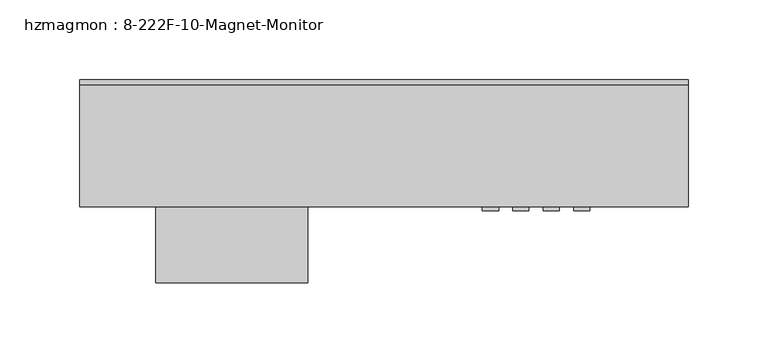
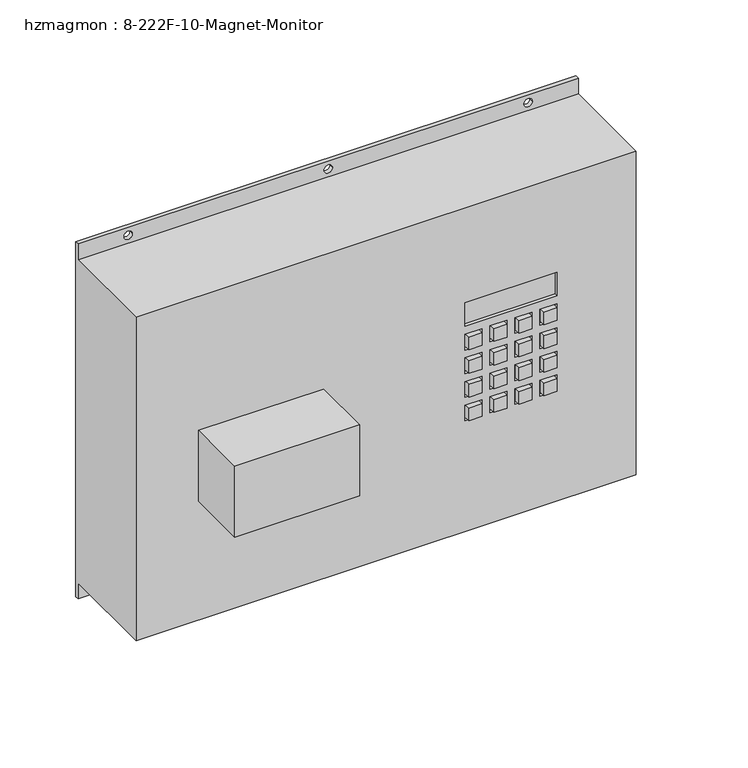
"""IFC4 building model written with IfcOpenShell, lengths in millimetres: proxy geometry, hzmagmon : 8-222F-10-Magnet-Monitor."""

from ifc_helpers import new_model, si_unit, frame, origin, place, context, project, spatial, polyline, circle_curve, outline, extrude, source, transform, mapped, element, save
from ifc_brep_helpers import plane_surface, revolved_surface, advanced_brep


def hzmagmon_8_222f_10_magnet_monitor_ca582a6c(model_context):
    return source(origin(), model_context, "Body", "SolidModel", [
        advanced_brep(
        [(190.5, 0.0, 1682.75), (190.5, -3.175, 1682.75), (190.5, -3.175, 1670.05), (190.5, -79.375, 1670.05), (190.5, -79.375, 1409.7), (190.5, -3.175, 1409.7), (190.5, -3.175, 1397.0), (190.5, 0.0, 1397.0), (-190.5, 0.0, 1682.75), (-190.5, 0.0, 1397.0), (-190.5, -3.175, 1397.0), (-190.5, -3.175, 1409.7), (-190.5, -79.375, 1409.7), (-190.5, -79.375, 1670.05), (-190.5, -3.175, 1670.05), (-190.5, -3.175, 1682.75), (-149.225, -3.175, 1676.4), (-155.575, -3.175, 1676.4), (3.175, -3.175, 1676.4), (-3.175, -3.175, 1676.4), (149.225, -3.175, 1676.4), (155.575, -3.175, 1676.4), (149.225, -3.175, 1403.35), (155.575, -3.175, 1403.35), (3.175, -3.175, 1403.35), (-3.175, -3.175, 1403.35), (-149.225, -3.175, 1403.35), (-155.575, -3.175, 1403.35), (-155.575, 0.0, 1676.4), (-149.225, 0.0, 1676.4), (-3.175, 0.0, 1676.4), (3.175, 0.0, 1676.4), (155.575, 0.0, 1676.4), (149.225, 0.0, 1676.4), (155.575, 0.0, 1403.35), (149.225, 0.0, 1403.35), (-3.175, 0.0, 1403.35), (3.175, 0.0, 1403.35), (-155.575, 0.0, 1403.35), (-149.225, 0.0, 1403.35), (130.175, -79.375, 1574.8), (60.325, -79.375, 1574.8), (60.325, -79.375, 1593.85), (130.175, -79.375, 1593.85), (73.025, -79.375, 1568.45), (73.025, -79.375, 1555.75), (60.325, -79.375, 1555.75), (60.325, -79.375, 1568.45), (79.375, -79.375, 1555.75), (79.375, -79.375, 1568.45), (92.075, -79.375, 1568.45), (92.075, -79.375, 1555.75), (98.425, -79.375, 1555.75), (98.425, -79.375, 1568.45), (111.125, -79.375, 1568.45), (111.125, -79.375, 1555.75), (117.475, -79.375, 1555.75), (117.475, -79.375, 1568.45), (130.175, -79.375, 1568.45), (130.175, -79.375, 1555.75), (117.475, -79.375, 1536.7), (117.475, -79.375, 1549.4), (130.175, -79.375, 1549.4), (130.175, -79.375, 1536.7), (111.125, -79.375, 1549.4), (111.125, -79.375, 1536.7), (98.425, -79.375, 1536.7), (98.425, -79.375, 1549.4), (92.075, -79.375, 1549.4), (92.075, -79.375, 1536.7), (79.375, -79.375, 1536.7), (79.375, -79.375, 1549.4), (73.025, -79.375, 1549.4), (73.025, -79.375, 1536.7), (60.325, -79.375, 1536.7), (60.325, -79.375, 1549.4), (73.025, -79.375, 1530.35), (73.025, -79.375, 1517.65), (60.325, -79.375, 1517.65), (60.325, -79.375, 1530.35), (73.025, -79.375, 1511.3), (73.025, -79.375, 1498.6), (60.325, -79.375, 1498.6), (60.325, -79.375, 1511.3), (79.375, -79.375, 1498.6), (79.375, -79.375, 1511.3), (92.075, -79.375, 1511.3), (92.075, -79.375, 1498.6), (98.425, -79.375, 1498.6), (98.425, -79.375, 1511.3), (111.125, -79.375, 1511.3), (111.125, -79.375, 1498.6), (92.075, -79.375, 1530.35), (92.075, -79.375, 1517.65), (79.375, -79.375, 1517.65), (79.375, -79.375, 1530.35), (98.425, -79.375, 1517.65), (98.425, -79.375, 1530.35), (111.125, -79.375, 1530.35), (111.125, -79.375, 1517.65), (117.475, -79.375, 1517.65), (117.475, -79.375, 1530.35), (130.175, -79.375, 1530.35), (130.175, -79.375, 1517.65), (117.475, -79.375, 1511.3), (130.175, -79.375, 1511.3), (130.175, -79.375, 1498.6), (117.475, -79.375, 1498.6), (-142.875, -79.375, 1562.1), (-47.625, -79.375, 1562.1), (-47.625, -79.375, 1504.95), (-142.875, -79.375, 1504.95), (60.325, -76.5525764, 1574.8), (130.175, -76.5525764, 1574.8), (130.175, -76.5525764, 1593.85), (60.325, -76.5525764, 1593.85), (73.025, -76.5525764, 1555.75), (73.025, -76.5525764, 1568.45), (60.325, -76.5525764, 1568.45), (60.325, -76.5525764, 1555.75), (79.375, -76.5525764, 1568.45), (79.375, -76.5525764, 1555.75), (92.075, -76.5525764, 1555.75), (92.075, -76.5525764, 1568.45), (98.425, -76.5525764, 1568.45), (98.425, -76.5525764, 1555.75), (111.125, -76.5525764, 1555.75), (111.125, -76.5525764, 1568.45), (117.475, -76.5525764, 1568.45), (117.475, -76.5525764, 1555.75), (130.175, -76.5525764, 1555.75), (130.175, -76.5525764, 1568.45), (117.475, -76.5525764, 1549.4), (117.475, -76.5525764, 1536.7), (130.175, -76.5525764, 1536.7), (130.175, -76.5525764, 1549.4), (111.125, -76.5525764, 1536.7), (111.125, -76.5525764, 1549.4), (98.425, -76.5525764, 1549.4), (98.425, -76.5525764, 1536.7), (92.075, -76.5525764, 1536.7), (92.075, -76.5525764, 1549.4), (79.375, -76.5525764, 1549.4), (79.375, -76.5525764, 1536.7), (73.025, -76.5525764, 1536.7), (73.025, -76.5525764, 1549.4), (60.325, -76.5525764, 1549.4), (60.325, -76.5525764, 1536.7), (73.025, -76.5525764, 1517.65), (73.025, -76.5525764, 1530.35), (60.325, -76.5525764, 1530.35), (60.325, -76.5525764, 1517.65), (73.025, -76.5525764, 1498.6), (73.025, -76.5525764, 1511.3), (60.325, -76.5525764, 1511.3), (60.325, -76.5525764, 1498.6), (79.375, -76.5525764, 1511.3), (79.375, -76.5525764, 1498.6), (92.075, -76.5525764, 1498.6), (92.075, -76.5525764, 1511.3), (98.425, -76.5525764, 1511.3), (98.425, -76.5525764, 1498.6), (111.125, -76.5525764, 1498.6), (111.125, -76.5525764, 1511.3), (92.075, -76.5525764, 1517.65), (92.075, -76.5525764, 1530.35), (79.375, -76.5525764, 1530.35), (79.375, -76.5525764, 1517.65), (98.425, -76.5525764, 1530.35), (98.425, -76.5525764, 1517.65), (111.125, -76.5525764, 1517.65), (111.125, -76.5525764, 1530.35), (117.475, -76.5525764, 1530.35), (117.475, -76.5525764, 1517.65), (130.175, -76.5525764, 1517.65), (130.175, -76.5525764, 1530.35), (130.175, -76.5525764, 1511.3), (117.475, -76.5525764, 1511.3), (117.475, -76.5525764, 1498.6), (130.175, -76.5525764, 1498.6), (-47.625, -127.0, 1562.1), (-142.875, -127.0, 1562.1), (-142.875, -127.0, 1504.95), (-47.625, -127.0, 1504.95)],
        [
            (0, 1),
            (1, 2),
            (2, 3),
            (3, 4),
            (4, 5),
            (5, 6),
            (6, 7),
            (7, 0),
            (8, 9),
            (9, 10),
            (10, 11),
            (11, 12),
            (12, 13),
            (13, 14),
            (14, 15),
            (15, 8),
            (0, 8),
            (15, 1),
            (14, 2),
            (16, 17, circle_curve(frame((-152.4, -3.175, 1676.4), z_axis=(0.0, 1.0, 0.0), x_axis=(1.0, 0.0, 0.0)), 3.175)),
            (17, 16, circle_curve(frame((-152.4, -3.175, 1676.4), z_axis=(0.0, 1.0, 0.0), x_axis=(1.0, 0.0, 0.0)), 3.175)),
            (18, 19, circle_curve(frame((0.0, -3.175, 1676.4), z_axis=(0.0, 1.0, 0.0), x_axis=(1.0, 0.0, 0.0)), 3.175)),
            (19, 18, circle_curve(frame((0.0, -3.175, 1676.4), z_axis=(0.0, 1.0, 0.0), x_axis=(1.0, 0.0, 0.0)), 3.175)),
            (20, 21, circle_curve(frame((152.4, -3.175, 1676.4), z_axis=(0.0, 1.0, 0.0), x_axis=(-1.0, 0.0, 0.0)), 3.175)),
            (21, 20, circle_curve(frame((152.4, -3.175, 1676.4), z_axis=(0.0, 1.0, 0.0), x_axis=(-1.0, 0.0, 0.0)), 3.175)),
            (10, 6),
            (5, 11),
            (22, 23, circle_curve(frame((152.4, -3.175, 1403.35), z_axis=(0.0, 1.0, 0.0), x_axis=(-1.0, 0.0, 0.0)), 3.175)),
            (23, 22, circle_curve(frame((152.4, -3.175, 1403.35), z_axis=(0.0, 1.0, 0.0), x_axis=(-1.0, 0.0, 0.0)), 3.175)),
            (24, 25, circle_curve(frame((0.0, -3.175, 1403.35), z_axis=(0.0, 1.0, 0.0), x_axis=(1.0, 0.0, 0.0)), 3.175)),
            (25, 24, circle_curve(frame((0.0, -3.175, 1403.35), z_axis=(0.0, 1.0, 0.0), x_axis=(1.0, 0.0, 0.0)), 3.175)),
            (26, 27, circle_curve(frame((-152.4, -3.175, 1403.35), z_axis=(0.0, 1.0, 0.0), x_axis=(1.0, 0.0, 0.0)), 3.175)),
            (27, 26, circle_curve(frame((-152.4, -3.175, 1403.35), z_axis=(0.0, 1.0, 0.0), x_axis=(1.0, 0.0, 0.0)), 3.175)),
            (9, 7),
            (28, 29, circle_curve(frame((-152.4, 0.0, 1676.4), z_axis=(0.0, -1.0, 0.0), x_axis=(1.0, 0.0, 0.0)), 3.175)),
            (29, 28, circle_curve(frame((-152.4, 0.0, 1676.4), z_axis=(0.0, -1.0, 0.0), x_axis=(1.0, 0.0, 0.0)), 3.175)),
            (30, 31, circle_curve(frame((0.0, 0.0, 1676.4), z_axis=(0.0, -1.0, 0.0), x_axis=(1.0, 0.0, 0.0)), 3.175)),
            (31, 30, circle_curve(frame((0.0, 0.0, 1676.4), z_axis=(0.0, -1.0, 0.0), x_axis=(1.0, 0.0, 0.0)), 3.175)),
            (32, 33, circle_curve(frame((152.4, 0.0, 1676.4), z_axis=(0.0, -1.0, 0.0), x_axis=(-1.0, 0.0, 0.0)), 3.175)),
            (33, 32, circle_curve(frame((152.4, 0.0, 1676.4), z_axis=(0.0, -1.0, 0.0), x_axis=(-1.0, 0.0, 0.0)), 3.175)),
            (34, 35, circle_curve(frame((152.4, 0.0, 1403.35), z_axis=(0.0, -1.0, 0.0), x_axis=(-1.0, 0.0, 0.0)), 3.175)),
            (35, 34, circle_curve(frame((152.4, 0.0, 1403.35), z_axis=(0.0, -1.0, 0.0), x_axis=(-1.0, 0.0, 0.0)), 3.175)),
            (36, 37, circle_curve(frame((0.0, 0.0, 1403.35), z_axis=(0.0, -1.0, 0.0), x_axis=(1.0, 0.0, 0.0)), 3.175)),
            (37, 36, circle_curve(frame((0.0, 0.0, 1403.35), z_axis=(0.0, -1.0, 0.0), x_axis=(1.0, 0.0, 0.0)), 3.175)),
            (38, 39, circle_curve(frame((-152.4, 0.0, 1403.35), z_axis=(0.0, -1.0, 0.0), x_axis=(1.0, 0.0, 0.0)), 3.175)),
            (39, 38, circle_curve(frame((-152.4, 0.0, 1403.35), z_axis=(0.0, -1.0, 0.0), x_axis=(1.0, 0.0, 0.0)), 3.175)),
            (3, 13),
            (12, 4),
            (40, 41),
            (41, 42),
            (42, 43),
            (43, 40),
            (44, 45),
            (45, 46),
            (46, 47),
            (47, 44),
            (48, 49),
            (49, 50),
            (50, 51),
            (51, 48),
            (52, 53),
            (53, 54),
            (54, 55),
            (55, 52),
            (56, 57),
            (57, 58),
            (58, 59),
            (59, 56),
            (60, 61),
            (61, 62),
            (62, 63),
            (63, 60),
            (64, 65),
            (65, 66),
            (66, 67),
            (67, 64),
            (68, 69),
            (69, 70),
            (70, 71),
            (71, 68),
            (72, 73),
            (73, 74),
            (74, 75),
            (75, 72),
            (76, 77),
            (77, 78),
            (78, 79),
            (79, 76),
            (80, 81),
            (81, 82),
            (82, 83),
            (83, 80),
            (84, 85),
            (85, 86),
            (86, 87),
            (87, 84),
            (88, 89),
            (89, 90),
            (90, 91),
            (91, 88),
            (92, 93),
            (93, 94),
            (94, 95),
            (95, 92),
            (96, 97),
            (97, 98),
            (98, 99),
            (99, 96),
            (100, 101),
            (101, 102),
            (102, 103),
            (103, 100),
            (104, 105),
            (105, 106),
            (106, 107),
            (107, 104),
            (108, 109),
            (109, 110),
            (110, 111),
            (111, 108),
            (112, 113),
            (113, 114),
            (114, 115),
            (115, 112),
            (116, 117),
            (117, 118),
            (118, 119),
            (119, 116),
            (120, 121),
            (121, 122),
            (122, 123),
            (123, 120),
            (124, 125),
            (125, 126),
            (126, 127),
            (127, 124),
            (128, 129),
            (129, 130),
            (130, 131),
            (131, 128),
            (132, 133),
            (133, 134),
            (134, 135),
            (135, 132),
            (136, 137),
            (137, 138),
            (138, 139),
            (139, 136),
            (140, 141),
            (141, 142),
            (142, 143),
            (143, 140),
            (144, 145),
            (145, 146),
            (146, 147),
            (147, 144),
            (148, 149),
            (149, 150),
            (150, 151),
            (151, 148),
            (152, 153),
            (153, 154),
            (154, 155),
            (155, 152),
            (156, 157),
            (157, 158),
            (158, 159),
            (159, 156),
            (160, 161),
            (161, 162),
            (162, 163),
            (163, 160),
            (164, 165),
            (165, 166),
            (166, 167),
            (167, 164),
            (168, 169),
            (169, 170),
            (170, 171),
            (171, 168),
            (172, 173),
            (173, 174),
            (174, 175),
            (175, 172),
            (176, 177),
            (177, 178),
            (178, 179),
            (179, 176),
            (112, 41),
            (40, 113),
            (43, 114),
            (42, 115),
            (116, 45),
            (44, 117),
            (47, 118),
            (46, 119),
            (120, 49),
            (48, 121),
            (51, 122),
            (50, 123),
            (124, 53),
            (52, 125),
            (55, 126),
            (54, 127),
            (128, 57),
            (56, 129),
            (59, 130),
            (58, 131),
            (132, 61),
            (60, 133),
            (63, 134),
            (62, 135),
            (136, 65),
            (64, 137),
            (67, 138),
            (66, 139),
            (140, 69),
            (68, 141),
            (71, 142),
            (70, 143),
            (144, 73),
            (72, 145),
            (75, 146),
            (74, 147),
            (148, 77),
            (76, 149),
            (79, 150),
            (78, 151),
            (152, 81),
            (80, 153),
            (83, 154),
            (82, 155),
            (156, 85),
            (84, 157),
            (87, 158),
            (86, 159),
            (160, 89),
            (88, 161),
            (91, 162),
            (90, 163),
            (164, 93),
            (92, 165),
            (95, 166),
            (94, 167),
            (168, 97),
            (96, 169),
            (99, 170),
            (98, 171),
            (172, 101),
            (100, 173),
            (103, 174),
            (102, 175),
            (176, 105),
            (104, 177),
            (107, 178),
            (106, 179),
            (180, 181),
            (181, 182),
            (182, 183),
            (183, 180),
            (180, 109),
            (108, 181),
            (111, 182),
            (110, 183),
            (16, 29),
            (28, 17),
            (18, 31),
            (30, 19),
            (20, 33),
            (32, 21),
            (22, 35),
            (34, 23),
            (24, 37),
            (36, 25),
            (26, 39),
            (38, 27),
        ],
        [
            plane_surface(frame((190.5, -3.175, 1682.75), z_axis=(1.0, 0.0, 0.0), x_axis=(0.0, -1.0, 0.0))),
            plane_surface(frame((-190.5, -3.175, 1682.75), z_axis=(-1.0, 0.0, 0.0), x_axis=(0.0, 1.0, 0.0))),
            plane_surface(frame((190.5, 0.0, 1682.75), z_axis=(0.0, 0.0, 1.0), x_axis=(-1.0, 0.0, 0.0))),
            plane_surface(frame((190.5, -3.175, 1682.75), z_axis=(0.0, -1.0, 0.0), x_axis=(-1.0, 0.0, 0.0))),
            plane_surface(frame((190.5, -3.175, 1397.0), z_axis=(0.0, 0.0, -1.0), x_axis=(-1.0, 0.0, 0.0))),
            plane_surface(frame((190.5, 0.0, 1397.0), z_axis=(0.0, 1.0, 0.0), x_axis=(-1.0, 0.0, 0.0))),
            plane_surface(frame((-190.5, -79.375, 1670.05), z_axis=(0.0, -1.0, 0.0), x_axis=(-1.0, 0.0, 0.0))),
            plane_surface(frame((190.5, -79.375, 1670.05), z_axis=(0.0, 0.0, 1.0), x_axis=(0.0, 1.0, 0.0))),
            plane_surface(frame((-190.5, -79.375, 1409.7), z_axis=(0.0, 0.0, -1.0), x_axis=(0.0, 1.0, 0.0))),
            plane_surface(frame((130.175, -76.5525764, 1574.8), z_axis=(0.0, -1.0, 0.0), x_axis=(-1.0, 0.0, 0.0))),
            plane_surface(frame((60.325, -79.375, 1574.8), z_axis=(0.0, 0.0, 1.0), x_axis=(0.0, 1.0, 0.0))),
            plane_surface(frame((130.175, -79.375, 1574.8), z_axis=(-1.0, 0.0, 0.0), x_axis=(0.0, 1.0, 0.0))),
            plane_surface(frame((130.175, -79.375, 1593.85), z_axis=(0.0, 0.0, -1.0), x_axis=(0.0, 1.0, 0.0))),
            plane_surface(frame((60.325, -79.375, 1593.85), z_axis=(1.0, 0.0, 0.0), x_axis=(0.0, 1.0, 0.0))),
            plane_surface(frame((73.025, -79.375, 1555.75), z_axis=(-1.0, 0.0, 0.0), x_axis=(0.0, 1.0, 0.0))),
            plane_surface(frame((73.025, -79.375, 1568.45), z_axis=(0.0, 0.0, -1.0), x_axis=(0.0, 1.0, 0.0))),
            plane_surface(frame((60.325, -79.375, 1568.45), z_axis=(1.0, 0.0, 0.0), x_axis=(0.0, 1.0, 0.0))),
            plane_surface(frame((60.325, -79.375, 1555.75), z_axis=(0.0, 0.0, 1.0), x_axis=(0.0, 1.0, 0.0))),
            plane_surface(frame((79.375, -79.375, 1568.45), z_axis=(1.0, 0.0, 0.0), x_axis=(0.0, 1.0, 0.0))),
            plane_surface(frame((79.375, -79.375, 1555.75), z_axis=(0.0, 0.0, 1.0), x_axis=(0.0, 1.0, 0.0))),
            plane_surface(frame((92.075, -79.375, 1555.75), z_axis=(-1.0, 0.0, 0.0), x_axis=(0.0, 1.0, 0.0))),
            plane_surface(frame((92.075, -79.375, 1568.45), z_axis=(0.0, 0.0, -1.0), x_axis=(0.0, 1.0, 0.0))),
            plane_surface(frame((98.425, -79.375, 1568.45), z_axis=(1.0, 0.0, 0.0), x_axis=(0.0, 1.0, 0.0))),
            plane_surface(frame((98.425, -79.375, 1555.75), z_axis=(0.0, 0.0, 1.0), x_axis=(0.0, 1.0, 0.0))),
            plane_surface(frame((111.125, -79.375, 1555.75), z_axis=(-1.0, 0.0, 0.0), x_axis=(0.0, 1.0, 0.0))),
            plane_surface(frame((111.125, -79.375, 1568.45), z_axis=(0.0, 0.0, -1.0), x_axis=(0.0, 1.0, 0.0))),
            plane_surface(frame((117.475, -79.375, 1568.45), z_axis=(1.0, 0.0, 0.0), x_axis=(0.0, 1.0, 0.0))),
            plane_surface(frame((117.475, -79.375, 1555.75), z_axis=(0.0, 0.0, 1.0), x_axis=(0.0, 1.0, 0.0))),
            plane_surface(frame((130.175, -79.375, 1555.75), z_axis=(-1.0, 0.0, 0.0), x_axis=(0.0, 1.0, 0.0))),
            plane_surface(frame((130.175, -79.375, 1568.45), z_axis=(0.0, 0.0, -1.0), x_axis=(0.0, 1.0, 0.0))),
            plane_surface(frame((117.475, -79.375, 1549.4), z_axis=(1.0, 0.0, 0.0), x_axis=(0.0, 1.0, 0.0))),
            plane_surface(frame((117.475, -79.375, 1536.7), z_axis=(0.0, 0.0, 1.0), x_axis=(0.0, 1.0, 0.0))),
            plane_surface(frame((130.175, -79.375, 1536.7), z_axis=(-1.0, 0.0, 0.0), x_axis=(0.0, 1.0, 0.0))),
            plane_surface(frame((130.175, -79.375, 1549.4), z_axis=(0.0, 0.0, -1.0), x_axis=(0.0, 1.0, 0.0))),
            plane_surface(frame((111.125, -79.375, 1536.7), z_axis=(-1.0, 0.0, 0.0), x_axis=(0.0, 1.0, 0.0))),
            plane_surface(frame((111.125, -79.375, 1549.4), z_axis=(0.0, 0.0, -1.0), x_axis=(0.0, 1.0, 0.0))),
            plane_surface(frame((98.425, -79.375, 1549.4), z_axis=(1.0, 0.0, 0.0), x_axis=(0.0, 1.0, 0.0))),
            plane_surface(frame((98.425, -79.375, 1536.7), z_axis=(0.0, 0.0, 1.0), x_axis=(0.0, 1.0, 0.0))),
            plane_surface(frame((92.075, -79.375, 1536.7), z_axis=(-1.0, 0.0, 0.0), x_axis=(0.0, 1.0, 0.0))),
            plane_surface(frame((92.075, -79.375, 1549.4), z_axis=(0.0, 0.0, -1.0), x_axis=(0.0, 1.0, 0.0))),
            plane_surface(frame((79.375, -79.375, 1549.4), z_axis=(1.0, 0.0, 0.0), x_axis=(0.0, 1.0, 0.0))),
            plane_surface(frame((79.375, -79.375, 1536.7), z_axis=(0.0, 0.0, 1.0), x_axis=(0.0, 1.0, 0.0))),
            plane_surface(frame((73.025, -79.375, 1536.7), z_axis=(-1.0, 0.0, 0.0), x_axis=(0.0, 1.0, 0.0))),
            plane_surface(frame((73.025, -79.375, 1549.4), z_axis=(0.0, 0.0, -1.0), x_axis=(0.0, 1.0, 0.0))),
            plane_surface(frame((60.325, -79.375, 1549.4), z_axis=(1.0, 0.0, 0.0), x_axis=(0.0, 1.0, 0.0))),
            plane_surface(frame((60.325, -79.375, 1536.7), z_axis=(0.0, 0.0, 1.0), x_axis=(0.0, 1.0, 0.0))),
            plane_surface(frame((73.025, -79.375, 1517.65), z_axis=(-1.0, 0.0, 0.0), x_axis=(0.0, 1.0, 0.0))),
            plane_surface(frame((73.025, -79.375, 1530.35), z_axis=(0.0, 0.0, -1.0), x_axis=(0.0, 1.0, 0.0))),
            plane_surface(frame((60.325, -79.375, 1530.35), z_axis=(1.0, 0.0, 0.0), x_axis=(0.0, 1.0, 0.0))),
            plane_surface(frame((60.325, -79.375, 1517.65), z_axis=(0.0, 0.0, 1.0), x_axis=(0.0, 1.0, 0.0))),
            plane_surface(frame((73.025, -79.375, 1498.6), z_axis=(-1.0, 0.0, 0.0), x_axis=(0.0, 1.0, 0.0))),
            plane_surface(frame((73.025, -79.375, 1511.3), z_axis=(0.0, 0.0, -1.0), x_axis=(0.0, 1.0, 0.0))),
            plane_surface(frame((60.325, -79.375, 1511.3), z_axis=(1.0, 0.0, 0.0), x_axis=(0.0, 1.0, 0.0))),
            plane_surface(frame((60.325, -79.375, 1498.6), z_axis=(0.0, 0.0, 1.0), x_axis=(0.0, 1.0, 0.0))),
            plane_surface(frame((79.375, -79.375, 1511.3), z_axis=(1.0, 0.0, 0.0), x_axis=(0.0, 1.0, 0.0))),
            plane_surface(frame((79.375, -79.375, 1498.6), z_axis=(0.0, 0.0, 1.0), x_axis=(0.0, 1.0, 0.0))),
            plane_surface(frame((92.075, -79.375, 1498.6), z_axis=(-1.0, 0.0, 0.0), x_axis=(0.0, 1.0, 0.0))),
            plane_surface(frame((92.075, -79.375, 1511.3), z_axis=(0.0, 0.0, -1.0), x_axis=(0.0, 1.0, 0.0))),
            plane_surface(frame((98.425, -79.375, 1511.3), z_axis=(1.0, 0.0, 0.0), x_axis=(0.0, 1.0, 0.0))),
            plane_surface(frame((98.425, -79.375, 1498.6), z_axis=(0.0, 0.0, 1.0), x_axis=(0.0, 1.0, 0.0))),
            plane_surface(frame((111.125, -79.375, 1498.6), z_axis=(-1.0, 0.0, 0.0), x_axis=(0.0, 1.0, 0.0))),
            plane_surface(frame((111.125, -79.375, 1511.3), z_axis=(0.0, 0.0, -1.0), x_axis=(0.0, 1.0, 0.0))),
            plane_surface(frame((92.075, -79.375, 1517.65), z_axis=(-1.0, 0.0, 0.0), x_axis=(0.0, 1.0, 0.0))),
            plane_surface(frame((92.075, -79.375, 1530.35), z_axis=(0.0, 0.0, -1.0), x_axis=(0.0, 1.0, 0.0))),
            plane_surface(frame((79.375, -79.375, 1530.35), z_axis=(1.0, 0.0, 0.0), x_axis=(0.0, 1.0, 0.0))),
            plane_surface(frame((79.375, -79.375, 1517.65), z_axis=(0.0, 0.0, 1.0), x_axis=(0.0, 1.0, 0.0))),
            plane_surface(frame((98.425, -79.375, 1530.35), z_axis=(1.0, 0.0, 0.0), x_axis=(0.0, 1.0, 0.0))),
            plane_surface(frame((98.425, -79.375, 1517.65), z_axis=(0.0, 0.0, 1.0), x_axis=(0.0, 1.0, 0.0))),
            plane_surface(frame((111.125, -79.375, 1517.65), z_axis=(-1.0, 0.0, 0.0), x_axis=(0.0, 1.0, 0.0))),
            plane_surface(frame((111.125, -79.375, 1530.35), z_axis=(0.0, 0.0, -1.0), x_axis=(0.0, 1.0, 0.0))),
            plane_surface(frame((117.475, -79.375, 1530.35), z_axis=(1.0, 0.0, 0.0), x_axis=(0.0, 1.0, 0.0))),
            plane_surface(frame((117.475, -79.375, 1517.65), z_axis=(0.0, 0.0, 1.0), x_axis=(0.0, 1.0, 0.0))),
            plane_surface(frame((130.175, -79.375, 1517.65), z_axis=(-1.0, 0.0, 0.0), x_axis=(0.0, 1.0, 0.0))),
            plane_surface(frame((130.175, -79.375, 1530.35), z_axis=(0.0, 0.0, -1.0), x_axis=(0.0, 1.0, 0.0))),
            plane_surface(frame((130.175, -79.375, 1511.3), z_axis=(0.0, 0.0, -1.0), x_axis=(0.0, 1.0, 0.0))),
            plane_surface(frame((117.475, -79.375, 1511.3), z_axis=(1.0, 0.0, 0.0), x_axis=(0.0, 1.0, 0.0))),
            plane_surface(frame((117.475, -79.375, 1498.6), z_axis=(0.0, 0.0, 1.0), x_axis=(0.0, 1.0, 0.0))),
            plane_surface(frame((130.175, -79.375, 1498.6), z_axis=(-1.0, 0.0, 0.0), x_axis=(0.0, 1.0, 0.0))),
            plane_surface(frame((-142.875, -127.0, 1562.1), z_axis=(0.0, -1.0, 0.0), x_axis=(-1.0, 0.0, 0.0))),
            plane_surface(frame((-47.625, -127.0, 1562.1), z_axis=(0.0, 0.0, 1.0), x_axis=(0.0, 1.0, 0.0))),
            plane_surface(frame((-142.875, -127.0, 1562.1), z_axis=(-1.0, 0.0, 0.0), x_axis=(0.0, 1.0, 0.0))),
            plane_surface(frame((-142.875, -127.0, 1504.95), z_axis=(0.0, 0.0, -1.0), x_axis=(0.0, 1.0, 0.0))),
            plane_surface(frame((-47.625, -127.0, 1504.95), z_axis=(1.0, 0.0, 0.0), x_axis=(0.0, 1.0, 0.0))),
            revolved_surface(polyline([(-149.225, -3.175, 1676.4), (-149.225, 0.0, 1676.4)]), (-152.4, 0.0, 1676.4), (0.0, -1.0, 0.0)),
            revolved_surface(polyline([(3.175, -3.175, 1676.4), (3.175, 0.0, 1676.4)]), (0.0, 0.0, 1676.4), (0.0, -1.0, 0.0)),
            revolved_surface(polyline([(149.225, -3.175, 1676.4), (149.225, 0.0, 1676.4)]), (152.4, 0.0, 1676.4), (0.0, -1.0, 0.0)),
            revolved_surface(polyline([(149.225, -3.175, 1403.35), (149.225, 0.0, 1403.35)]), (152.4, 0.0, 1403.35), (0.0, -1.0, 0.0)),
            revolved_surface(polyline([(3.175, -3.175, 1403.35), (3.175, 0.0, 1403.35)]), (0.0, 0.0, 1403.35), (0.0, -1.0, 0.0)),
            revolved_surface(polyline([(-149.225, -3.175, 1403.35), (-149.225, 0.0, 1403.35)]), (-152.4, 0.0, 1403.35), (0.0, -1.0, 0.0)),
        ],
        [
            (0, [[1, 2, 3, 4, 5, 6, 7, 8]]),
            (1, [[9, 10, 11, 12, 13, 14, 15, 16]]),
            (2, [[-1, 17, -16, 18]]),
            (3, [[-18, -15, 19, -2], [20, 21], [22, 23], [24, 25]]),
            (3, [[26, -6, 27, -11], [28, 29], [30, 31], [32, 33]]),
            (4, [[-7, -26, -10, 34]]),
            (5, [[-8, -34, -9, -17], [35, 36], [37, 38], [39, 40], [41, 42], [43, 44], [45, 46]]),
            (6, [[47, -13, 48, -4], [49, 50, 51, 52], [53, 54, 55, 56], [57, 58, 59, 60], [61, 62, 63, 64], [65, 66, 67, 68], [69, 70, 71, 72], [73, 74, 75, 76], [77, 78, 79, 80], [81, 82, 83, 84], [85, 86, 87, 88], [89, 90, 91, 92], [93, 94, 95, 96], [97, 98, 99, 100], [101, 102, 103, 104], [105, 106, 107, 108], [109, 110, 111, 112], [113, 114, 115, 116], [117, 118, 119, 120]]),
            (7, [[-47, -3, -19, -14]]),
            (8, [[-48, -12, -27, -5]]),
            (9, [[121, 122, 123, 124]]),
            (9, [[125, 126, 127, 128]]),
            (9, [[129, 130, 131, 132]]),
            (9, [[133, 134, 135, 136]]),
            (9, [[137, 138, 139, 140]]),
            (9, [[141, 142, 143, 144]]),
            (9, [[145, 146, 147, 148]]),
            (9, [[149, 150, 151, 152]]),
            (9, [[153, 154, 155, 156]]),
            (9, [[157, 158, 159, 160]]),
            (9, [[161, 162, 163, 164]]),
            (9, [[165, 166, 167, 168]]),
            (9, [[169, 170, 171, 172]]),
            (9, [[173, 174, 175, 176]]),
            (9, [[177, 178, 179, 180]]),
            (9, [[181, 182, 183, 184]]),
            (9, [[185, 186, 187, 188]]),
            (10, [[-121, 189, -49, 190]]),
            (11, [[-122, -190, -52, 191]]),
            (12, [[-123, -191, -51, 192]]),
            (13, [[-124, -192, -50, -189]]),
            (14, [[-125, 193, -53, 194]]),
            (15, [[-126, -194, -56, 195]]),
            (16, [[-127, -195, -55, 196]]),
            (17, [[-128, -196, -54, -193]]),
            (18, [[-129, 197, -57, 198]]),
            (19, [[-130, -198, -60, 199]]),
            (20, [[-131, -199, -59, 200]]),
            (21, [[-132, -200, -58, -197]]),
            (22, [[-133, 201, -61, 202]]),
            (23, [[-134, -202, -64, 203]]),
            (24, [[-135, -203, -63, 204]]),
            (25, [[-136, -204, -62, -201]]),
            (26, [[-137, 205, -65, 206]]),
            (27, [[-138, -206, -68, 207]]),
            (28, [[-139, -207, -67, 208]]),
            (29, [[-140, -208, -66, -205]]),
            (30, [[-141, 209, -69, 210]]),
            (31, [[-142, -210, -72, 211]]),
            (32, [[-143, -211, -71, 212]]),
            (33, [[-144, -212, -70, -209]]),
            (34, [[-145, 213, -73, 214]]),
            (35, [[-146, -214, -76, 215]]),
            (36, [[-147, -215, -75, 216]]),
            (37, [[-148, -216, -74, -213]]),
            (38, [[-149, 217, -77, 218]]),
            (39, [[-150, -218, -80, 219]]),
            (40, [[-151, -219, -79, 220]]),
            (41, [[-152, -220, -78, -217]]),
            (42, [[-153, 221, -81, 222]]),
            (43, [[-154, -222, -84, 223]]),
            (44, [[-155, -223, -83, 224]]),
            (45, [[-156, -224, -82, -221]]),
            (46, [[-157, 225, -85, 226]]),
            (47, [[-158, -226, -88, 227]]),
            (48, [[-159, -227, -87, 228]]),
            (49, [[-160, -228, -86, -225]]),
            (50, [[-161, 229, -89, 230]]),
            (51, [[-162, -230, -92, 231]]),
            (52, [[-163, -231, -91, 232]]),
            (53, [[-164, -232, -90, -229]]),
            (54, [[-165, 233, -93, 234]]),
            (55, [[-166, -234, -96, 235]]),
            (56, [[-167, -235, -95, 236]]),
            (57, [[-168, -236, -94, -233]]),
            (58, [[-169, 237, -97, 238]]),
            (59, [[-170, -238, -100, 239]]),
            (60, [[-171, -239, -99, 240]]),
            (61, [[-172, -240, -98, -237]]),
            (62, [[-173, 241, -101, 242]]),
            (63, [[-174, -242, -104, 243]]),
            (64, [[-175, -243, -103, 244]]),
            (65, [[-176, -244, -102, -241]]),
            (66, [[-177, 245, -105, 246]]),
            (67, [[-178, -246, -108, 247]]),
            (68, [[-179, -247, -107, 248]]),
            (69, [[-180, -248, -106, -245]]),
            (70, [[-181, 249, -109, 250]]),
            (71, [[-182, -250, -112, 251]]),
            (72, [[-183, -251, -111, 252]]),
            (73, [[-184, -252, -110, -249]]),
            (74, [[-185, 253, -113, 254]]),
            (75, [[-186, -254, -116, 255]]),
            (76, [[-187, -255, -115, 256]]),
            (77, [[-188, -256, -114, -253]]),
            (78, [[257, 258, 259, 260]]),
            (79, [[-257, 261, -117, 262]]),
            (80, [[-258, -262, -120, 263]]),
            (81, [[-259, -263, -119, 264]]),
            (82, [[-260, -264, -118, -261]]),
            (83, [[265, -35, 266, -20]]),
            (83, [[-265, -21, -266, -36]]),
            (84, [[267, -37, 268, -22]]),
            (84, [[-267, -23, -268, -38]]),
            (85, [[269, -39, 270, -24]]),
            (85, [[-269, -25, -270, -40]]),
            (86, [[271, -41, 272, -28]]),
            (86, [[-271, -29, -272, -42]]),
            (87, [[273, -43, 274, -30]]),
            (87, [[-273, -31, -274, -44]]),
            (88, [[275, -45, 276, -32]]),
            (88, [[-275, -33, -276, -46]]),
        ],
    ),
        extrude(outline(polyline([(71.755, -81.8832207), (61.595, -81.8832207), (61.595, -76.5525764), (71.755, -76.5525764), (71.755, -81.8832207)])), frame((0.0, 0.0, 1557.02), z_axis=(0.0, 0.0, 1.0), x_axis=(1.0, 0.0, 0.0)), (0.0, 0.0, 1.0), 10.16),
        extrude(outline(polyline([(90.805, -81.8832207), (80.645, -81.8832207), (80.645, -76.5525764), (90.805, -76.5525764), (90.805, -81.8832207)])), frame((0.0, 0.0, 1557.02), z_axis=(0.0, 0.0, 1.0), x_axis=(1.0, 0.0, 0.0)), (0.0, 0.0, 1.0), 10.16),
        extrude(outline(polyline([(109.855, -81.8832207), (99.695, -81.8832207), (99.695, -76.5525764), (109.855, -76.5525764), (109.855, -81.8832207)])), frame((0.0, 0.0, 1557.02), z_axis=(0.0, 0.0, 1.0), x_axis=(1.0, 0.0, 0.0)), (0.0, 0.0, 1.0), 10.16),
        extrude(outline(polyline([(128.905, -81.8832207), (118.745, -81.8832207), (118.745, -76.5525764), (128.905, -76.5525764), (128.905, -81.8832207)])), frame((0.0, 0.0, 1557.02), z_axis=(0.0, 0.0, 1.0), x_axis=(1.0, 0.0, 0.0)), (0.0, 0.0, 1.0), 10.16),
        extrude(outline(polyline([(71.755, -81.8832207), (61.595, -81.8832207), (61.595, -76.5525764), (71.755, -76.5525764), (71.755, -81.8832207)])), frame((0.0, 0.0, 1537.97), z_axis=(0.0, 0.0, 1.0), x_axis=(1.0, 0.0, 0.0)), (0.0, 0.0, 1.0), 10.16),
        extrude(outline(polyline([(90.805, -81.8832207), (80.645, -81.8832207), (80.645, -76.5525764), (90.805, -76.5525764), (90.805, -81.8832207)])), frame((0.0, 0.0, 1537.97), z_axis=(0.0, 0.0, 1.0), x_axis=(1.0, 0.0, 0.0)), (0.0, 0.0, 1.0), 10.16),
        extrude(outline(polyline([(109.855, -81.8832207), (99.695, -81.8832207), (99.695, -76.5525764), (109.855, -76.5525764), (109.855, -81.8832207)])), frame((0.0, 0.0, 1537.97), z_axis=(0.0, 0.0, 1.0), x_axis=(1.0, 0.0, 0.0)), (0.0, 0.0, 1.0), 10.16),
        extrude(outline(polyline([(128.905, -81.8832207), (118.745, -81.8832207), (118.745, -76.5525764), (128.905, -76.5525764), (128.905, -81.8832207)])), frame((0.0, 0.0, 1537.97), z_axis=(0.0, 0.0, 1.0), x_axis=(1.0, 0.0, 0.0)), (0.0, 0.0, 1.0), 10.16),
        extrude(outline(polyline([(71.755, -81.8832207), (61.595, -81.8832207), (61.595, -76.5525764), (71.755, -76.5525764), (71.755, -81.8832207)])), frame((0.0, 0.0, 1518.92), z_axis=(0.0, 0.0, 1.0), x_axis=(1.0, 0.0, 0.0)), (0.0, 0.0, 1.0), 10.16),
        extrude(outline(polyline([(71.755, -81.8832207), (61.595, -81.8832207), (61.595, -76.5525764), (71.755, -76.5525764), (71.755, -81.8832207)])), frame((0.0, 0.0, 1499.87), z_axis=(0.0, 0.0, 1.0), x_axis=(1.0, 0.0, 0.0)), (0.0, 0.0, 1.0), 10.16),
        extrude(outline(polyline([(90.805, -81.8832207), (80.645, -81.8832207), (80.645, -76.5525764), (90.805, -76.5525764), (90.805, -81.8832207)])), frame((0.0, 0.0, 1499.87), z_axis=(0.0, 0.0, 1.0), x_axis=(1.0, 0.0, 0.0)), (0.0, 0.0, 1.0), 10.16),
        extrude(outline(polyline([(109.855, -81.8832207), (99.695, -81.8832207), (99.695, -76.5525764), (109.855, -76.5525764), (109.855, -81.8832207)])), frame((0.0, 0.0, 1499.87), z_axis=(0.0, 0.0, 1.0), x_axis=(1.0, 0.0, 0.0)), (0.0, 0.0, 1.0), 10.16),
        extrude(outline(polyline([(128.905, -81.8832207), (118.745, -81.8832207), (118.745, -76.5525764), (128.905, -76.5525764), (128.905, -81.8832207)])), frame((0.0, 0.0, 1499.87), z_axis=(0.0, 0.0, 1.0), x_axis=(1.0, 0.0, 0.0)), (0.0, 0.0, 1.0), 10.16),
        extrude(outline(polyline([(90.805, -81.8832207), (80.645, -81.8832207), (80.645, -76.5525764), (90.805, -76.5525764), (90.805, -81.8832207)])), frame((0.0, 0.0, 1518.92), z_axis=(0.0, 0.0, 1.0), x_axis=(1.0, 0.0, 0.0)), (0.0, 0.0, 1.0), 10.16),
        extrude(outline(polyline([(109.855, -81.8832207), (99.695, -81.8832207), (99.695, -76.5525764), (109.855, -76.5525764), (109.855, -81.8832207)])), frame((0.0, 0.0, 1518.92), z_axis=(0.0, 0.0, 1.0), x_axis=(1.0, 0.0, 0.0)), (0.0, 0.0, 1.0), 10.16),
        extrude(outline(polyline([(128.905, -81.8832207), (118.745, -81.8832207), (118.745, -76.5525764), (128.905, -76.5525764), (128.905, -81.8832207)])), frame((0.0, 0.0, 1518.92), z_axis=(0.0, 0.0, 1.0), x_axis=(1.0, 0.0, 0.0)), (0.0, 0.0, 1.0), 10.16),
    ])


if __name__ == "__main__":
    model = new_model("IFC4")
    model_context = context("Model", 3, world=origin())
    ifc_project = project(units=[si_unit("LENGTHUNIT", "METRE", prefix="MILLI")], contexts=[model_context])
    site = spatial("IfcSite", under=ifc_project)
    building = spatial("IfcBuilding", under=site)
    placement = place(None, origin())
    hzmagmon_8_222f_10_magnet_monitor_shape = hzmagmon_8_222f_10_magnet_monitor_ca582a6c(model_context)
    element("IfcBuildingElementProxy", 1, Name="hzmagmon : 8-222F-10-Magnet-Monitor", ObjectType="hzmagmon : 8-222F-10-Magnet-Monitor", at=placement, inside=building, context=model_context, shape_type="MappedRepresentation", body=[
        mapped(hzmagmon_8_222f_10_magnet_monitor_shape, transform((0.0, 0.0, 0.0), x_axis=(1.0, 0.0, 0.0), y_axis=(0.0, 1.0, 0.0), z_axis=(0.0, 0.0, 1.0))),
    ])
    save(model, "model.ifc")
